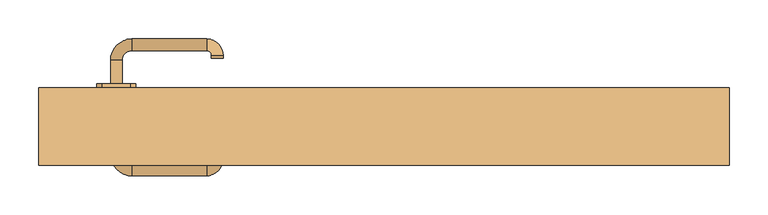
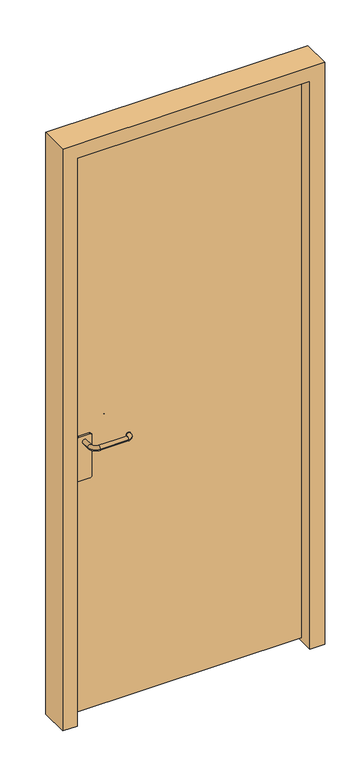
"""IFC4 building model written with IfcOpenShell, lengths in millimetres: door geometry."""

from ifc_helpers import new_model, si_unit, point, frame, frame_2d, origin, place, context, project, spatial, polyline, circle_curve, ellipse_curve, trimmed, segment, composite_curve, outline, extrude, source, transform, mapped, element, save
from ifc_brep_helpers import plane_surface, cylinder_surface, revolved_surface, advanced_brep


def door_622c6e2a(model_context):
    return source(origin(), model_context, "Body", "SolidModel", [
        advanced_brep(
        [(-352.5, 42.6077061, 978.0), (-337.5, 42.6077061, 978.0), (-337.5, 72.6077061, 978.0), (-352.5, 72.6077061, 978.0), (-325.0, 85.1077061, 978.0), (-325.0, 100.1077061, 978.0), (-228.7497889, 85.1077061, 978.0), (-228.7497889, 100.1077061, 978.0), (-222.5, 78.8579172, 978.0), (-207.5, 78.8579172, 978.0), (-207.5, 75.4759661, 978.0), (-222.5, 75.4759661, 978.0)],
        [
            (0, 1, circle_curve(frame((-345.0, 42.6077061, 978.0), z_axis=(0.0, -1.0, 0.0), x_axis=(1.0, 0.0, 0.0)), 7.5)),
            (1, 0, circle_curve(frame((-345.0, 42.6077061, 978.0), z_axis=(0.0, -1.0, 0.0), x_axis=(1.0, 0.0, 0.0)), 7.5)),
            (1, 2),
            (2, 3, circle_curve(frame((-345.0, 72.6077061, 978.0), z_axis=(0.0, -1.0, 0.0), x_axis=(1.0, 0.0, 0.0)), 7.5)),
            (3, 0),
            (3, 2, circle_curve(frame((-345.0, 72.6077061, 978.0), z_axis=(0.0, -1.0, 0.0), x_axis=(1.0, 0.0, 0.0)), 7.5)),
            (4, 5, circle_curve(frame((-325.0, 92.6077061, 978.0), z_axis=(-1.0, 0.0, 0.0), x_axis=(0.0, -1.0, 0.0)), 7.5)),
            (5, 3, circle_curve(frame((-325.0, 72.6077061, 978.0), z_axis=(0.0, 0.0, 1.0), x_axis=(-1.0, 0.0, 0.0)), 27.5)),
            (2, 4, circle_curve(frame((-325.0, 72.6077061, 978.0), z_axis=(0.0, 0.0, -1.0), x_axis=(-1.0, 0.0, 0.0)), 12.5)),
            (5, 4, circle_curve(frame((-325.0, 92.6077061, 978.0), z_axis=(-1.0, 0.0, 0.0), x_axis=(0.0, -1.0, 0.0)), 7.5)),
            (4, 6),
            (6, 7, circle_curve(frame((-228.7497889, 92.6077061, 978.0), z_axis=(-1.0, 0.0, 0.0), x_axis=(0.0, -1.0, 0.0)), 7.5)),
            (7, 5),
            (7, 6, circle_curve(frame((-228.7497889, 92.6077061, 978.0), z_axis=(-1.0, 0.0, 0.0), x_axis=(0.0, -1.0, 0.0)), 7.5)),
            (8, 9, circle_curve(frame((-215.0, 78.8579172, 978.0), z_axis=(0.0, 1.0, 0.0), x_axis=(-1.0, 0.0, 0.0)), 7.5)),
            (9, 7, circle_curve(frame((-228.7497889, 78.8579172, 978.0), z_axis=(0.0, 0.0, 1.0), x_axis=(0.0, 1.0, 0.0)), 21.2497889)),
            (6, 8, circle_curve(frame((-228.7497889, 78.8579172, 978.0), z_axis=(0.0, 0.0, -1.0), x_axis=(0.0, 1.0, 0.0)), 6.2497889)),
            (9, 8, circle_curve(frame((-215.0, 78.8579172, 978.0), z_axis=(0.0, 1.0, 0.0), x_axis=(-1.0, 0.0, 0.0)), 7.5)),
            (10, 11, circle_curve(frame((-215.0, 75.4759661, 978.0), z_axis=(0.0, -1.0, 0.0), x_axis=(-1.0, 0.0, 0.0)), 7.5)),
            (11, 10, circle_curve(frame((-215.0, 75.4759661, 978.0), z_axis=(0.0, -1.0, 0.0), x_axis=(-1.0, 0.0, 0.0)), 7.5)),
            (8, 11),
            (10, 9),
        ],
        [
            plane_surface(frame((-345.0, 42.6077061, 978.0), z_axis=(0.0, -1.0, 0.0), x_axis=(0.0, 0.0, 1.0))),
            cylinder_surface(frame((-345.0, 42.6077061, 978.0), z_axis=(0.0, -1.0, 0.0), x_axis=(1.0, 0.0, 0.0)), 7.5),
            revolved_surface(trimmed(ellipse_curve(frame((-345.0, 72.6077061, 978.0), z_axis=(0.0, 1.0, 0.0), x_axis=(1.0, 0.0, 0.0)), 7.5, 7.5), [point((-352.5, 72.6077061, 978.0))], [point((-337.5, 72.6077061, 978.0))], True, "CARTESIAN"), (-325.0, 72.6077061, 978.0), (0.0, 0.0, 1.0)),
            revolved_surface(trimmed(ellipse_curve(frame((-345.0, 72.6077061, 978.0), z_axis=(0.0, 1.0, 0.0), x_axis=(1.0, 0.0, 0.0)), 7.5, 7.5), [point((-337.5, 72.6077061, 978.0))], [point((-352.5, 72.6077061, 978.0))], True, "CARTESIAN"), (-325.0, 72.6077061, 978.0), (0.0, 0.0, 1.0)),
            cylinder_surface(frame((-325.0, 92.6077061, 978.0), z_axis=(-1.0, 0.0, 0.0), x_axis=(0.0, -1.0, 0.0)), 7.5),
            revolved_surface(trimmed(ellipse_curve(frame((-228.7497889, 92.6077061, 978.0), z_axis=(1.0, 0.0, 0.0), x_axis=(0.0, -1.0, 0.0)), 7.5, 7.5), [point((-228.7497889, 100.1077061, 978.0))], [point((-228.7497889, 85.1077061, 978.0))], True, "CARTESIAN"), (-228.7497889, 78.8579172, 978.0), (0.0, 0.0, 1.0)),
            revolved_surface(trimmed(ellipse_curve(frame((-228.7497889, 92.6077061, 978.0), z_axis=(1.0, 0.0, 0.0), x_axis=(0.0, -1.0, 0.0)), 7.5, 7.5), [point((-228.7497889, 85.1077061, 978.0))], [point((-228.7497889, 100.1077061, 978.0))], True, "CARTESIAN"), (-228.7497889, 78.8579172, 978.0), (0.0, 0.0, 1.0)),
            plane_surface(frame((-215.0, 75.4759661, 978.0), z_axis=(0.0, -1.0, 0.0), x_axis=(0.0, 0.0, 1.0))),
            cylinder_surface(frame((-215.0, 78.8579172, 978.0), z_axis=(0.0, 1.0, 0.0), x_axis=(-1.0, 0.0, 0.0)), 7.5),
        ],
        [
            (0, [[1, 2]]),
            (1, [[3, 4, 5, -2]]),
            (1, [[-5, 6, -3, -1]]),
            (2, [[7, 8, -4, 9]]),
            (3, [[10, -9, -6, -8]]),
            (4, [[11, 12, 13, -7]]),
            (4, [[-13, 14, -11, -10]]),
            (5, [[15, 16, -12, 17]]),
            (6, [[18, -17, -14, -16]]),
            (7, [[19, 20]]),
            (8, [[21, -19, 22, -15]]),
            (8, [[-22, -20, -21, -18]]),
        ],
    ),
        extrude(outline(composite_curve([segment(polyline([(1000.0, -327.0), (1000.0, -363.0)]), True, "CONTINUOUS"), segment(trimmed(circle_curve(frame_2d((993.0, -363.0)), 7.0), [point((1000.0, -363.0))], [point((993.0, -370.0))], False, "CARTESIAN"), True, "CONTINUOUS"), segment(polyline([(993.0, -370.0), (847.986295, -370.0)]), True, "CONTINUOUS"), segment(trimmed(circle_curve(frame_2d((847.986295, -363.0)), 7.0), [point((847.986295, -370.0))], [point((840.986295, -363.0))], False, "CARTESIAN"), True, "CONTINUOUS"), segment(polyline([(840.986295, -363.0), (840.986295, -327.0)]), True, "CONTINUOUS"), segment(trimmed(circle_curve(frame_2d((847.986295, -327.0)), 7.0), [point((840.986295, -327.0))], [point((847.986295, -320.0))], False, "CARTESIAN"), True, "CONTINUOUS"), segment(polyline([(847.986295, -320.0), (993.0, -320.0)]), True, "CONTINUOUS"), segment(trimmed(circle_curve(frame_2d((993.0, -327.0)), 7.0), [point((993.0, -320.0))], [point((1000.0, -327.0))], False, "CARTESIAN"), True, "CONTINUOUS")], self_intersect=False)), frame((0.0, 37.0, 0.0), z_axis=(0.0, 1.0, 0.0), x_axis=(0.0, 0.0, 1.0)), (0.0, 0.0, 1.0), 5.6),
        advanced_brep(
        [(-352.5, -18.6077061, 978.0), (-337.5, -18.6077061, 978.0), (-352.5, -48.6077061, 978.0), (-337.5, -48.6077061, 978.0), (-325.0, -61.1077061, 978.0), (-325.0, -76.1077061, 978.0), (-228.7497889, -76.1077061, 978.0), (-228.7497889, -61.1077061, 978.0), (-222.5, -54.8579172, 978.0), (-207.5, -54.8579172, 978.0), (-207.5, -51.4759661, 978.0), (-222.5, -51.4759661, 978.0)],
        [
            (0, 1, circle_curve(frame((-345.0, -18.6077061, 978.0), z_axis=(0.0, 1.0, 0.0), x_axis=(1.0, 0.0, 0.0)), 7.5)),
            (1, 0, circle_curve(frame((-345.0, -18.6077061, 978.0), z_axis=(0.0, 1.0, 0.0), x_axis=(1.0, 0.0, 0.0)), 7.5)),
            (0, 2),
            (2, 3, circle_curve(frame((-345.0, -48.6077061, 978.0), z_axis=(0.0, 1.0, 0.0), x_axis=(1.0, 0.0, 0.0)), 7.5)),
            (3, 1),
            (3, 2, circle_curve(frame((-345.0, -48.6077061, 978.0), z_axis=(0.0, 1.0, 0.0), x_axis=(1.0, 0.0, 0.0)), 7.5)),
            (4, 3, circle_curve(frame((-325.0, -48.6077061, 978.0), z_axis=(0.0, 0.0, -1.0), x_axis=(-1.0, 0.0, 0.0)), 12.5)),
            (2, 5, circle_curve(frame((-325.0, -48.6077061, 978.0), z_axis=(0.0, 0.0, 1.0), x_axis=(-1.0, 0.0, 0.0)), 27.5)),
            (5, 4, circle_curve(frame((-325.0, -68.6077061, 978.0), z_axis=(-1.0, 0.0, 0.0), x_axis=(0.0, 1.0, 0.0)), 7.5)),
            (4, 5, circle_curve(frame((-325.0, -68.6077061, 978.0), z_axis=(-1.0, 0.0, 0.0), x_axis=(0.0, 1.0, 0.0)), 7.5)),
            (5, 6),
            (6, 7, circle_curve(frame((-228.7497889, -68.6077061, 978.0), z_axis=(-1.0, 0.0, 0.0), x_axis=(0.0, 1.0, 0.0)), 7.5)),
            (7, 4),
            (7, 6, circle_curve(frame((-228.7497889, -68.6077061, 978.0), z_axis=(-1.0, 0.0, 0.0), x_axis=(0.0, 1.0, 0.0)), 7.5)),
            (8, 7, circle_curve(frame((-228.7497889, -54.8579172, 978.0), z_axis=(0.0, 0.0, -1.0), x_axis=(0.0, -1.0, 0.0)), 6.2497889)),
            (6, 9, circle_curve(frame((-228.7497889, -54.8579172, 978.0), z_axis=(0.0, 0.0, 1.0), x_axis=(0.0, -1.0, 0.0)), 21.2497889)),
            (9, 8, circle_curve(frame((-215.0, -54.8579172, 978.0), z_axis=(0.0, -1.0, 0.0), x_axis=(-1.0, 0.0, 0.0)), 7.5)),
            (8, 9, circle_curve(frame((-215.0, -54.8579172, 978.0), z_axis=(0.0, -1.0, 0.0), x_axis=(-1.0, 0.0, 0.0)), 7.5)),
            (10, 11, circle_curve(frame((-215.0, -51.4759661, 978.0), z_axis=(0.0, 1.0, 0.0), x_axis=(-1.0, 0.0, 0.0)), 7.5)),
            (11, 10, circle_curve(frame((-215.0, -51.4759661, 978.0), z_axis=(0.0, 1.0, 0.0), x_axis=(-1.0, 0.0, 0.0)), 7.5)),
            (9, 10),
            (11, 8),
        ],
        [
            plane_surface(frame((-345.0, -18.6077061, 978.0), z_axis=(0.0, 1.0, 0.0), x_axis=(0.0, 0.0, 1.0))),
            cylinder_surface(frame((-345.0, -18.6077061, 978.0), z_axis=(0.0, 1.0, 0.0), x_axis=(1.0, 0.0, 0.0)), 7.5),
            revolved_surface(trimmed(ellipse_curve(frame((-345.0, -48.6077061, 978.0), z_axis=(0.0, 1.0, 0.0), x_axis=(1.0, 0.0, 0.0)), 7.5, 7.5), [point((-352.5, -48.6077061, 978.0))], [point((-337.5, -48.6077061, 978.0))], True, "CARTESIAN"), (-325.0, -48.6077061, 978.0), (0.0, 0.0, 1.0)),
            revolved_surface(trimmed(ellipse_curve(frame((-345.0, -48.6077061, 978.0), z_axis=(0.0, 1.0, 0.0), x_axis=(1.0, 0.0, 0.0)), 7.5, 7.5), [point((-337.5, -48.6077061, 978.0))], [point((-352.5, -48.6077061, 978.0))], True, "CARTESIAN"), (-325.0, -48.6077061, 978.0), (0.0, 0.0, 1.0)),
            cylinder_surface(frame((-325.0, -68.6077061, 978.0), z_axis=(-1.0, 0.0, 0.0), x_axis=(0.0, 1.0, 0.0)), 7.5),
            revolved_surface(trimmed(ellipse_curve(frame((-228.7497889, -68.6077061, 978.0), z_axis=(-1.0, 0.0, 0.0), x_axis=(0.0, 1.0, 0.0)), 7.5, 7.5), [point((-228.7497889, -76.1077061, 978.0))], [point((-228.7497889, -61.1077061, 978.0))], True, "CARTESIAN"), (-228.7497889, -54.8579172, 978.0), (0.0, 0.0, 1.0)),
            revolved_surface(trimmed(ellipse_curve(frame((-228.7497889, -68.6077061, 978.0), z_axis=(-1.0, 0.0, 0.0), x_axis=(0.0, 1.0, 0.0)), 7.5, 7.5), [point((-228.7497889, -61.1077061, 978.0))], [point((-228.7497889, -76.1077061, 978.0))], True, "CARTESIAN"), (-228.7497889, -54.8579172, 978.0), (0.0, 0.0, 1.0)),
            plane_surface(frame((-215.0, -51.4759661, 978.0), z_axis=(0.0, 1.0, 0.0), x_axis=(0.0, 0.0, 1.0))),
            cylinder_surface(frame((-215.0, -54.8579172, 978.0), z_axis=(0.0, -1.0, 0.0), x_axis=(-1.0, 0.0, 0.0)), 7.5),
        ],
        [
            (0, [[1, 2]]),
            (1, [[-1, 3, 4, 5]]),
            (1, [[-2, -5, 6, -3]]),
            (2, [[7, -4, 8, 9]]),
            (3, [[-8, -6, -7, 10]]),
            (4, [[-9, 11, 12, 13]]),
            (4, [[-10, -13, 14, -11]]),
            (5, [[15, -12, 16, 17]]),
            (6, [[-16, -14, -15, 18]]),
            (7, [[19, 20]]),
            (8, [[-17, 21, -20, 22]]),
            (8, [[-18, -22, -19, -21]]),
        ],
    ),
        extrude(outline(composite_curve([segment(polyline([(1000.0, -327.0), (1000.0, -363.0)]), True, "CONTINUOUS"), segment(trimmed(circle_curve(frame_2d((993.0, -363.0)), 7.0), [point((1000.0, -363.0))], [point((993.0, -370.0))], False, "CARTESIAN"), True, "CONTINUOUS"), segment(polyline([(993.0, -370.0), (847.986295, -370.0)]), True, "CONTINUOUS"), segment(trimmed(circle_curve(frame_2d((847.986295, -363.0)), 7.0), [point((847.986295, -370.0))], [point((840.986295, -363.0))], False, "CARTESIAN"), True, "CONTINUOUS"), segment(polyline([(840.986295, -363.0), (840.986295, -327.0)]), True, "CONTINUOUS"), segment(trimmed(circle_curve(frame_2d((847.986295, -327.0)), 7.0), [point((840.986295, -327.0))], [point((847.986295, -320.0))], False, "CARTESIAN"), True, "CONTINUOUS"), segment(polyline([(847.986295, -320.0), (993.0, -320.0)]), True, "CONTINUOUS"), segment(trimmed(circle_curve(frame_2d((993.0, -327.0)), 7.0), [point((993.0, -320.0))], [point((1000.0, -327.0))], False, "CARTESIAN"), True, "CONTINUOUS")], self_intersect=False)), frame((0.0, -18.6, 0.0), z_axis=(0.0, 1.0, 0.0), x_axis=(0.0, 0.0, 1.0)), (0.0, 0.0, 1.0), 5.6),
        extrude(outline(polyline([(-395.0, 37.0), (395.0, 37.0), (395.0, -13.0), (-395.0, -13.0), (-395.0, 37.0)])), frame((0.0, 0.0, 10.0), z_axis=(0.0, 0.0, 1.0), x_axis=(1.0, 0.0, 0.0)), (0.0, 0.0, 1.0), 2030.0),
        extrude(outline(polyline([(0.0, -445.0), (0.0, -395.0), (2040.0, -395.0), (2040.0, 395.0), (0.0, 395.0), (0.0, 445.0), (2090.0, 445.0), (2090.0, -445.0), (0.0, -445.0)])), frame((0.0, -63.0, 0.0), z_axis=(0.0, 1.0, 0.0), x_axis=(0.0, 0.0, 1.0)), (0.0, 0.0, 1.0), 100.0),
    ])


if __name__ == "__main__":
    model = new_model("IFC4")
    model_context = context("Model", 3, world=origin())
    ifc_project = project(units=[si_unit("LENGTHUNIT", "METRE", prefix="MILLI")], contexts=[model_context])
    site = spatial("IfcSite", under=ifc_project)
    building = spatial("IfcBuilding", under=site)
    placement = place(None, origin())
    door_shape = door_622c6e2a(model_context)
    element("IfcDoor", 1, at=placement, inside=building, context=model_context, shape_type="MappedRepresentation", body=[
        mapped(door_shape, transform((0.0, 0.0, 0.0), x_axis=(1.0, 0.0, 0.0), y_axis=(0.0, 1.0, 0.0), z_axis=(0.0, 0.0, 1.0))),
    ])
    save(model, "model.ifc")
